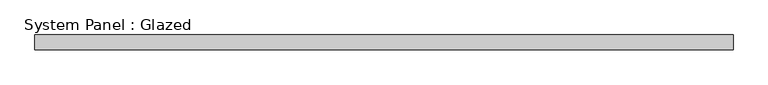
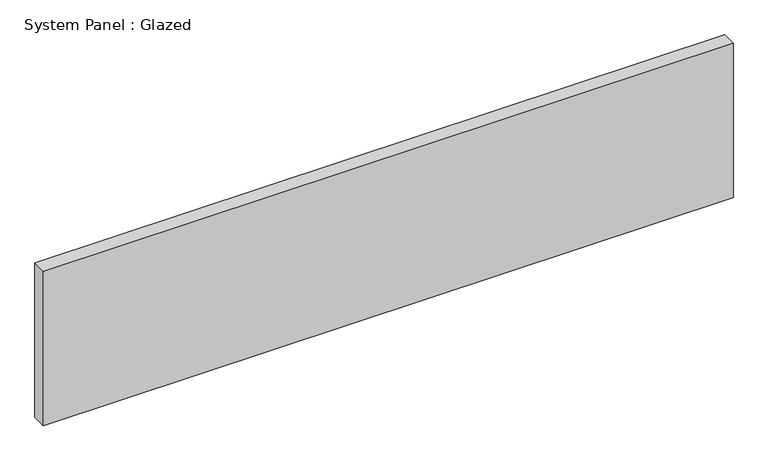
"""IFC4 building model written with IfcOpenShell, lengths in millimetres: plate geometry, System Panel : Glazed."""

from ifc_helpers import new_model, si_unit, origin, origin_with_axes, place, context, project, spatial, polyline, outline, extrude, source, transform, mapped, element, save


def system_panel_glazed_c355669c(model_context):
    return source(origin(), model_context, "Body", "SweptSolid", [
        extrude(outline(polyline([(590.55, -44.45), (-590.55, -44.45), (-590.55, -19.05), (590.55, -19.05), (590.55, -44.45)])), origin_with_axes(), (0.0, 0.0, 1.0), 279.4),
    ])


if __name__ == "__main__":
    model = new_model("IFC4")
    model_context = context("Model", 3, world=origin())
    ifc_project = project(units=[si_unit("LENGTHUNIT", "METRE", prefix="MILLI")], contexts=[model_context])
    site = spatial("IfcSite", under=ifc_project)
    building = spatial("IfcBuilding", under=site)
    placement = place(None, origin())
    system_panel_glazed_shape = system_panel_glazed_c355669c(model_context)
    element("IfcPlate", 1, ObjectType="System Panel : Glazed", at=placement, inside=building, context=model_context, shape_type="MappedRepresentation", body=[
        mapped(system_panel_glazed_shape, transform((0.0, 0.0, 0.0), x_axis=(1.0, 0.0, 0.0), y_axis=(0.0, 1.0, 0.0), z_axis=(0.0, 0.0, 1.0))),
    ])
    save(model, "model.ifc")
